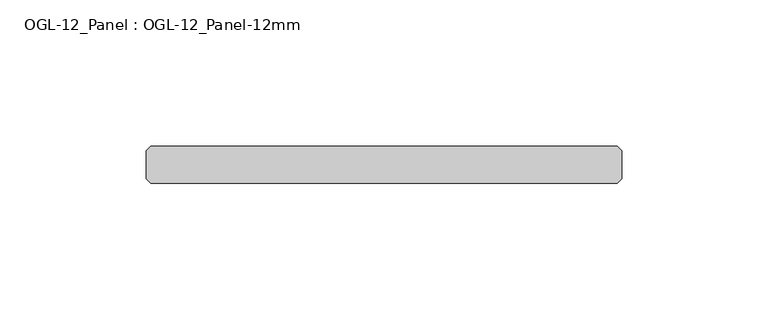
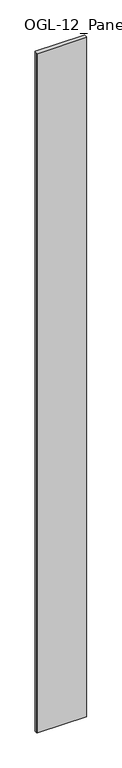
"""IFC4 building model written with IfcOpenShell, lengths in millimetres: plate geometry, OGL-12_Panel : OGL-12_Panel-12mm."""

from ifc_helpers import new_model, si_unit, origin, origin_with_axes, place, context, project, spatial, polyline, outline, extrude, source, transform, mapped, element, save


def ogl_12_panel_ogl_12_panel_12mm_6591c218(model_context):
    return source(origin(), model_context, "Body", "SweptSolid", [
        extrude(outline(polyline([(79.7754067, -34.925), (-79.7754067, -34.925), (-81.3629067, -33.3375), (-81.3629067, -23.8125), (-79.7754067, -22.225), (79.7754067, -22.225), (81.3629067, -23.8125), (81.3629067, -33.3375), (79.7754067, -34.925)])), origin_with_axes(), (0.0, 0.0, 1.0), 2339.9738578),
    ])


if __name__ == "__main__":
    model = new_model("IFC4")
    model_context = context("Model", 3, world=origin())
    ifc_project = project(units=[si_unit("LENGTHUNIT", "METRE", prefix="MILLI")], contexts=[model_context])
    site = spatial("IfcSite", under=ifc_project)
    building = spatial("IfcBuilding", under=site)
    placement = place(None, origin())
    ogl_12_panel_ogl_12_panel_12mm_shape = ogl_12_panel_ogl_12_panel_12mm_6591c218(model_context)
    element("IfcPlate", 1, ObjectType="OGL-12_Panel : OGL-12_Panel-12mm", at=placement, inside=building, context=model_context, shape_type="MappedRepresentation", body=[
        mapped(ogl_12_panel_ogl_12_panel_12mm_shape, transform((0.0, 0.0, 0.0), x_axis=(1.0, 0.0, 0.0), y_axis=(0.0, 1.0, 0.0), z_axis=(0.0, 0.0, 1.0))),
    ])
    save(model, "model.ifc")
